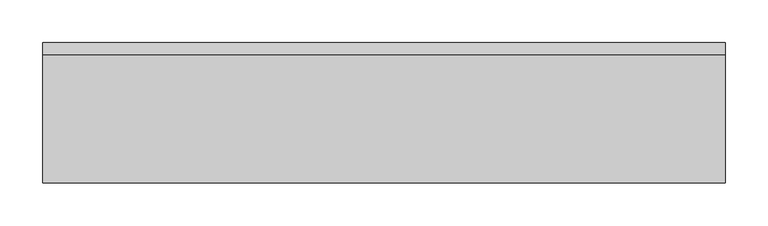
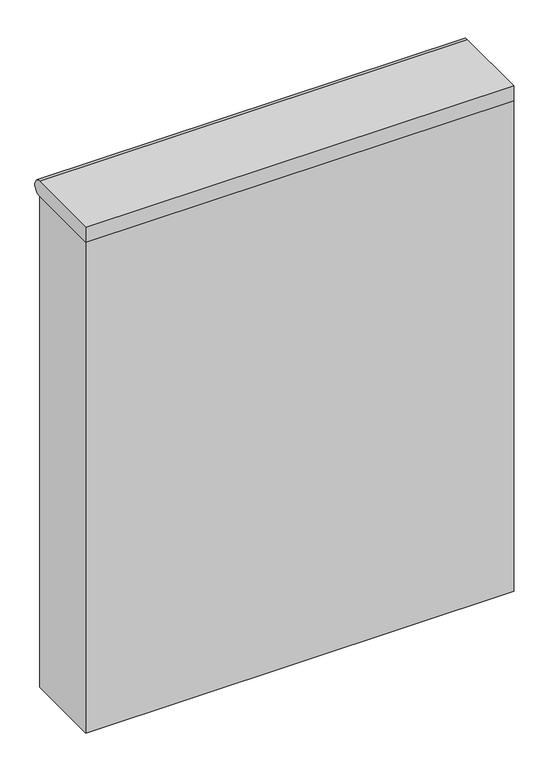
"""IFC4 building model written with IfcOpenShell, lengths in millimetres: flow terminal geometry."""

from ifc_helpers import new_model, si_unit, point, frame, frame_2d, origin, origin_with_axes, place, context, project, spatial, polyline, circle_curve, trimmed, segment, composite_curve, outline, extrude, source, transform, mapped, element, save


def flow_terminal_205c4ddb(model_context):
    return source(origin(), model_context, "Body", "SweptSolid", [
        extrude(outline(composite_curve([segment(trimmed(circle_curve(frame_2d((200.0, 985.0)), 15.0), [point((200.0, 1000.0))], [point((200.0, 970.0))], False, "CARTESIAN"), True, "CONTINUOUS"), segment(polyline([(200.0, 970.0), (50.0, 970.0), (50.0, 1000.0), (200.0, 1000.0)]), True, "CONTINUOUS")], self_intersect=False)), frame((-275.0, 0.0, 0.0), z_axis=(1.0, 0.0, 0.0), x_axis=(0.0, 1.0, 0.0)), (0.0, 0.0, 1.0), 800.0),
        extrude(outline(polyline([(525.0, 200.0), (525.0, 50.0), (-275.0, 50.0), (-275.0, 200.0), (525.0, 200.0)])), origin_with_axes(), (0.0, 0.0, 1.0), 970.0),
    ])


if __name__ == "__main__":
    model = new_model("IFC4")
    model_context = context("Model", 3, world=origin())
    ifc_project = project(units=[si_unit("LENGTHUNIT", "METRE", prefix="MILLI")], contexts=[model_context])
    site = spatial("IfcSite", under=ifc_project)
    building = spatial("IfcBuilding", under=site)
    placement = place(None, origin())
    flow_terminal_shape = flow_terminal_205c4ddb(model_context)
    element("IfcFlowTerminal", 1, at=placement, inside=building, context=model_context, shape_type="MappedRepresentation", body=[
        mapped(flow_terminal_shape, transform((0.0, 0.0, 0.0), x_axis=(1.0, 0.0, 0.0), y_axis=(0.0, 1.0, 0.0), z_axis=(0.0, 0.0, 1.0))),
    ])
    save(model, "model.ifc")
